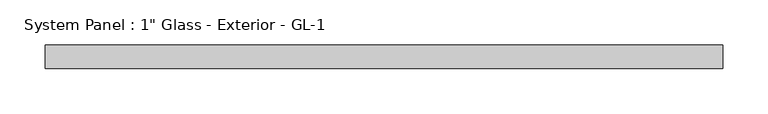
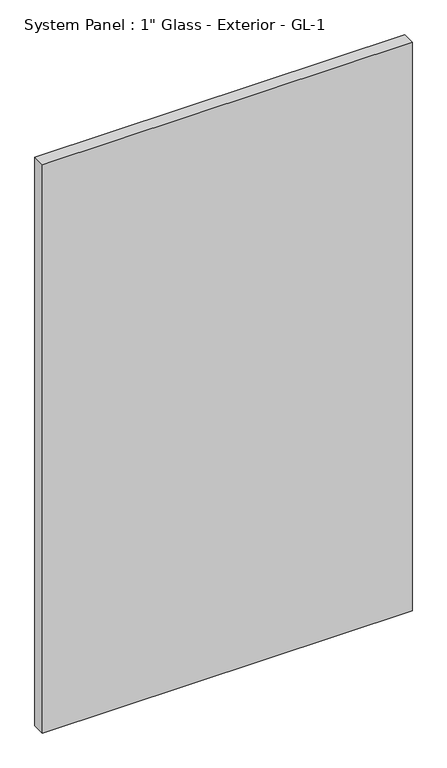
"""IFC4 building model written with IfcOpenShell, lengths in millimetres: plate geometry."""

from ifc_helpers import new_model, si_unit, origin, origin_with_axes, place, context, project, spatial, polyline, outline, extrude, source, transform, mapped, element, save


def plate_2e70d9cc(model_context):
    return source(origin(), model_context, "Body", "SweptSolid", [
        extrude(outline(polyline([(372.2050581, 12.7), (-372.2050581, 12.7), (-372.2050581, 38.1), (372.2050581, 38.1), (372.2050581, 12.7)])), origin_with_axes(), (0.0, 0.0, 1.0), 1209.675),
    ])


if __name__ == "__main__":
    model = new_model("IFC4")
    model_context = context("Model", 3, world=origin())
    ifc_project = project(units=[si_unit("LENGTHUNIT", "METRE", prefix="MILLI")], contexts=[model_context])
    site = spatial("IfcSite", under=ifc_project)
    building = spatial("IfcBuilding", under=site)
    placement = place(None, origin())
    plate_shape = plate_2e70d9cc(model_context)
    element("IfcPlate", 1, ObjectType="System Panel : 1\" Glass - Exterior - GL-1", at=placement, inside=building, context=model_context, shape_type="MappedRepresentation", body=[
        mapped(plate_shape, transform((0.0, 0.0, 0.0), x_axis=(1.0, 0.0, 0.0), y_axis=(0.0, 1.0, 0.0), z_axis=(0.0, 0.0, 1.0))),
    ])
    save(model, "model.ifc")
